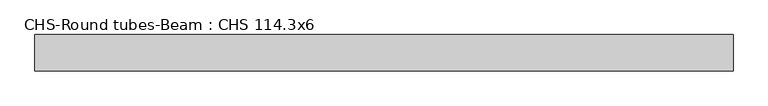
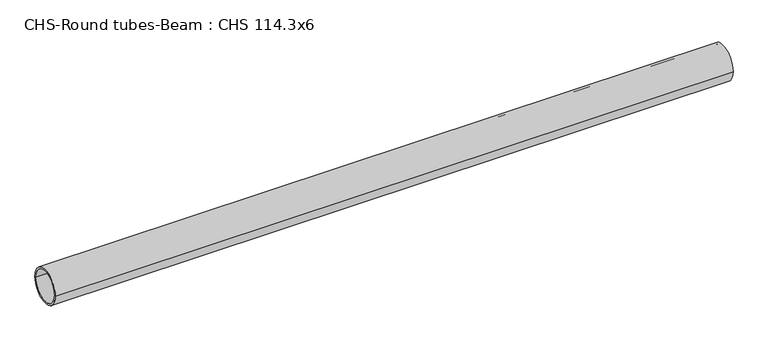
"""IFC4 building model written with IfcOpenShell, lengths in millimetres: beam geometry, CHS-Round tubes-Beam : CHS 114.3x6."""

from ifc_helpers import new_model, si_unit, point, frame, origin, origin_2d, place, context, project, spatial, circle_curve, trimmed, segment, composite_curve, outline, extrude, source, transform, mapped, element, save


def chs_round_tubes_beam_chs_114_3x6_2cc1ee66(model_context):
    return source(origin(), model_context, "Body", "SweptSolid", [
        extrude(outline(composite_curve([segment(trimmed(circle_curve(origin_2d(), 57.15), [point((57.15, 0.0))], [point((-57.15, 0.0))], False, "CARTESIAN"), True, "CONTINUOUS"), segment(trimmed(circle_curve(origin_2d(), 57.15), [point((-57.15, 0.0))], [point((57.15, 0.0))], False, "CARTESIAN"), True, "CONTINUOUS")], self_intersect=False), holes=[composite_curve([segment(trimmed(circle_curve(origin_2d(), 51.15), [point((51.15, 0.0))], [point((-51.15, 0.0))], True, "CARTESIAN"), True, "CONTINUOUS"), segment(trimmed(circle_curve(origin_2d(), 51.15), [point((-51.15, 0.0))], [point((51.15, 0.0))], True, "CARTESIAN"), True, "CONTINUOUS")], self_intersect=False)]), frame((-950.0738086, 0.0, 0.0), z_axis=(1.0, 0.0, 0.0), x_axis=(0.0, 1.0, 0.0)), (0.0, 0.0, 1.0), 2199.1880104),
    ])


if __name__ == "__main__":
    model = new_model("IFC4")
    model_context = context("Model", 3, world=origin())
    ifc_project = project(units=[si_unit("LENGTHUNIT", "METRE", prefix="MILLI")], contexts=[model_context])
    site = spatial("IfcSite", under=ifc_project)
    building = spatial("IfcBuilding", under=site)
    placement = place(None, origin())
    chs_round_tubes_beam_chs_114_3x6_shape = chs_round_tubes_beam_chs_114_3x6_2cc1ee66(model_context)
    element("IfcBeam", 1, ObjectType="CHS-Round tubes-Beam : CHS 114.3x6", at=placement, inside=building, context=model_context, shape_type="MappedRepresentation", body=[
        mapped(chs_round_tubes_beam_chs_114_3x6_shape, transform((0.0, 0.0, 0.0), x_axis=(1.0, 0.0, 0.0), y_axis=(0.0, 1.0, 0.0), z_axis=(0.0, 0.0, 1.0))),
    ])
    save(model, "model.ifc")
